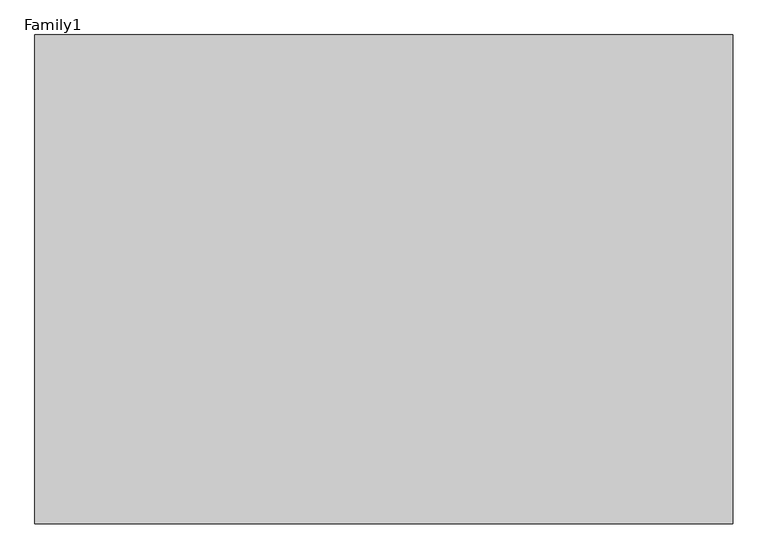
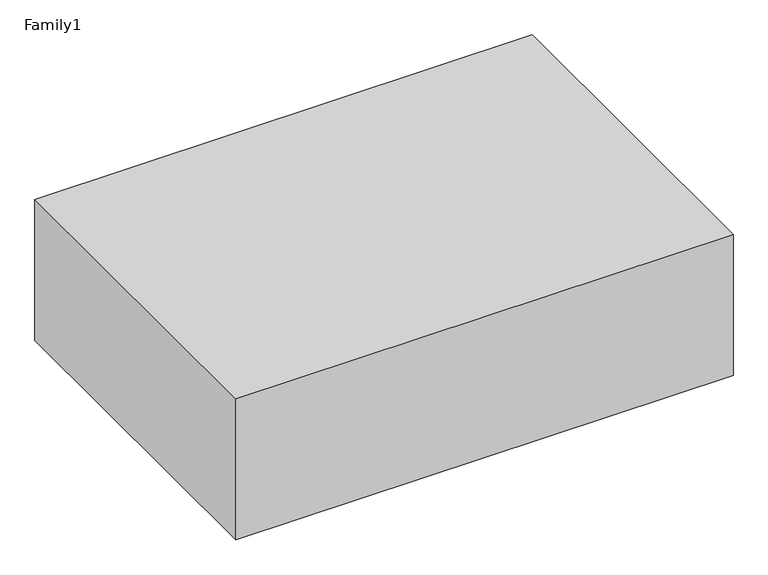
"""IFC4 building model written with IfcOpenShell, lengths in millimetres: proxy geometry, Family1."""

from ifc_helpers import new_model, si_unit, frame, origin, place, context, project, spatial, polyline, outline, extrude, source, transform, mapped, element, save


def family1_1ae9fefa(model_context):
    return source(origin(), model_context, "Body", "SweptSolid", [
        extrude(outline(polyline([(1000.0, 0.0), (0.0, 0.0), (0.0, 700.0), (1000.0, 700.0), (1000.0, 0.0)])), frame((0.0, 0.0, 27000.0), z_axis=(0.0, 0.0, 1.0), x_axis=(1.0, 0.0, 0.0)), (0.0, 0.0, 1.0), 300.0),
    ])


if __name__ == "__main__":
    model = new_model("IFC4")
    model_context = context("Model", 3, world=origin())
    ifc_project = project(units=[si_unit("LENGTHUNIT", "METRE", prefix="MILLI")], contexts=[model_context])
    site = spatial("IfcSite", under=ifc_project)
    building = spatial("IfcBuilding", under=site)
    placement = place(None, origin())
    family1_shape = family1_1ae9fefa(model_context)
    element("IfcBuildingElementProxy", 1, Name="Family1", ObjectType="Family1", at=placement, inside=building, context=model_context, shape_type="MappedRepresentation", body=[
        mapped(family1_shape, transform((0.0, 0.0, 0.0), x_axis=(1.0, 0.0, 0.0), y_axis=(0.0, 1.0, 0.0), z_axis=(0.0, 0.0, 1.0))),
    ])
    save(model, "model.ifc")
